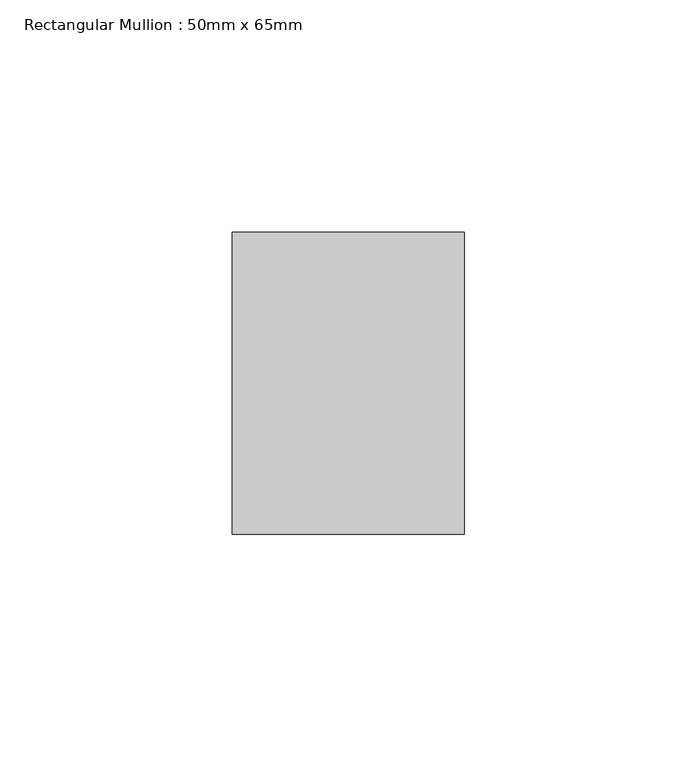
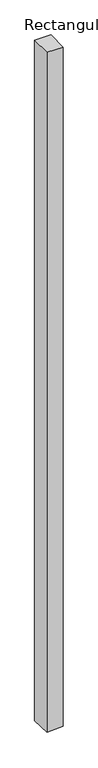
"""IFC4 building model written with IfcOpenShell, lengths in millimetres: member geometry, Rectangular Mullion : 50mm x 65mm."""

from ifc_helpers import new_model, si_unit, origin, place, context, project, spatial, faceted_brep, source, transform, mapped, element, save


def rectangular_mullion_50mm_x_65mm_4815590a(model_context):
    return source(origin(), model_context, "Body", "Brep", [
        faceted_brep([(25.0, 32.5, 0.0), (-25.0, 32.5, 0.0), (-25.0, -32.5, 0.0), (25.0, -32.5, 0.0), (25.0, 32.5, -2211.8373386), (-25.0, 32.5, -2214.1088167), (-25.0, -32.5, -2212.1101764), (25.0, -32.5, -2209.8386983)], [[[0, 1, 2, 3]], [[1, 0, 4, 5]], [[2, 1, 5, 6]], [[3, 2, 6, 7]], [[0, 3, 7, 4]], [[4, 7, 6, 5]]]),
    ])


if __name__ == "__main__":
    model = new_model("IFC4")
    model_context = context("Model", 3, world=origin())
    ifc_project = project(units=[si_unit("LENGTHUNIT", "METRE", prefix="MILLI")], contexts=[model_context])
    site = spatial("IfcSite", under=ifc_project)
    building = spatial("IfcBuilding", under=site)
    placement = place(None, origin())
    rectangular_mullion_50mm_x_65mm_shape = rectangular_mullion_50mm_x_65mm_4815590a(model_context)
    element("IfcMember", 1, ObjectType="Rectangular Mullion : 50mm x 65mm", at=placement, inside=building, context=model_context, shape_type="MappedRepresentation", body=[
        mapped(rectangular_mullion_50mm_x_65mm_shape, transform((0.0, 0.0, 0.0), x_axis=(1.0, 0.0, 0.0), y_axis=(0.0, 1.0, 0.0), z_axis=(0.0, 0.0, 1.0))),
    ])
    save(model, "model.ifc")
